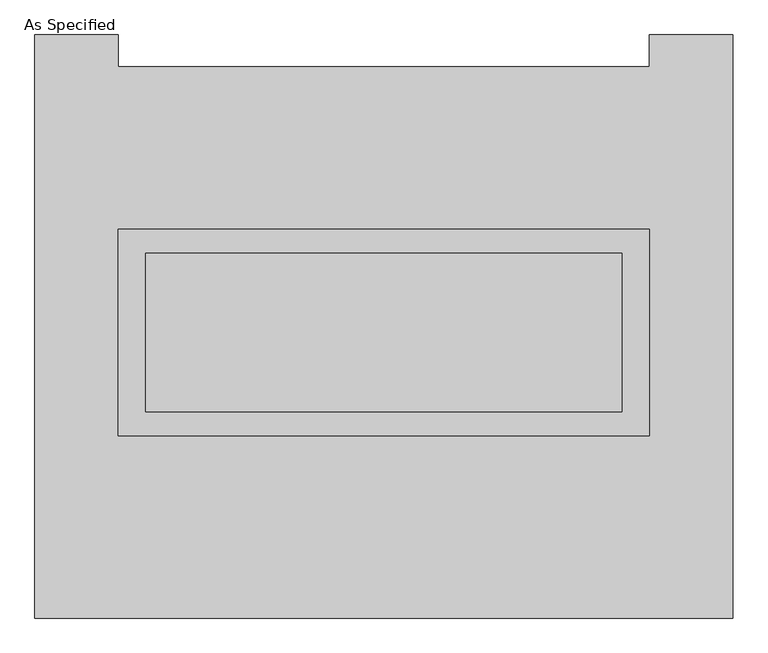
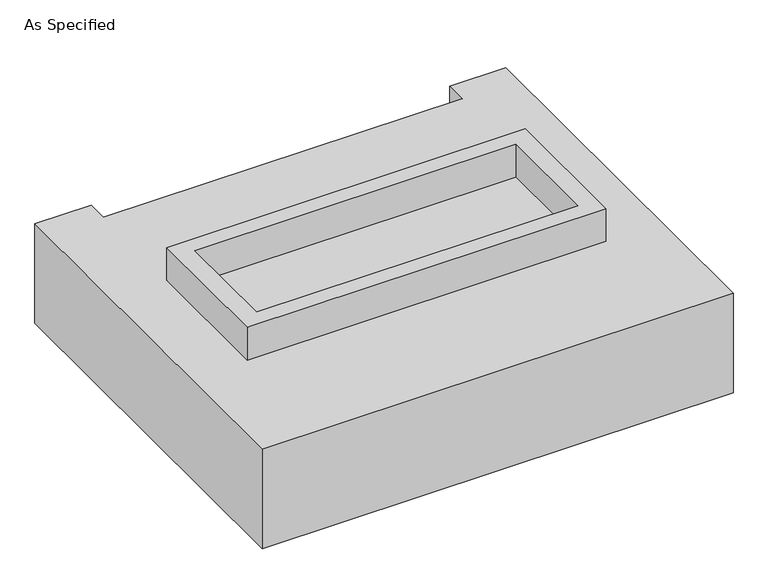
"""IFC4 building model written with IfcOpenShell, lengths in millimetres: proxy geometry, As Specified."""

from ifc_helpers import new_model, si_unit, frame, origin, place, context, project, spatial, polyline, outline, extrude, faceted_brep, source, transform, mapped, element, save


def as_specified_a354c85e(model_context):
    return source(origin(), model_context, "Body", "SolidModel", [
        extrude(outline(polyline([(850.9, 361.95), (850.9, -298.45), (-850.9, -298.45), (-850.9, 361.95), (850.9, 361.95)]), holes=[polyline([(762.0, 285.75), (-762.0, 285.75), (-762.0, -222.25), (762.0, -222.25), (762.0, 285.75)])]), frame((0.0, 0.0, -25.4), z_axis=(0.0, 0.0, 1.0), x_axis=(1.0, 0.0, 0.0)), (0.0, 0.0, 1.0), 165.1),
        extrude(outline(polyline([(762.0, 285.75), (762.0, -222.25), (-762.0, -222.25), (-762.0, 285.75), (762.0, 285.75)])), frame((0.0, 0.0, -30.3609375), z_axis=(0.0, 0.0, 1.0), x_axis=(1.0, 0.0, 0.0)), (0.0, 0.0, 1.0), 4.9609375),
        faceted_brep([(1117.6, -882.65, -523.875), (-1117.6, -882.65, -523.875), (-1117.6, 984.25, -523.875), (-850.9, 984.25, -523.875), (-850.9, 882.65, -523.875), (850.9, 882.65, -523.875), (850.9, 984.25, -523.875), (1117.6, 984.25, -523.875), (-1117.6, -882.65, -25.4), (1117.6, -882.65, -25.4), (1117.6, 984.25, -25.4), (850.9, 984.25, -25.4), (850.9, 882.65, -25.4), (-850.9, 882.65, -25.4), (-850.9, 984.25, -25.4), (-1117.6, 984.25, -25.4), (-850.9, -298.45, -25.4), (-850.9, 361.95, -25.4), (850.9, 361.95, -25.4), (850.9, -298.45, -25.4), (850.9, 361.95, -498.475), (-850.9, 361.95, -498.475), (-850.9, -298.45, -498.475), (850.9, -298.45, -498.475)], [[[0, 1, 2, 3, 4, 5, 6, 7]], [[8, 9, 10, 11, 12, 13, 14, 15], [16, 17, 18, 19]], [[4, 13, 12, 5]], [[1, 8, 15, 2]], [[10, 9, 0, 7]], [[20, 21, 22, 23]], [[22, 21, 17, 16]], [[21, 20, 18, 17]], [[20, 23, 19, 18]], [[16, 19, 23, 22]], [[1, 0, 9, 8]], [[4, 3, 14, 13]], [[3, 2, 15, 14]], [[6, 5, 12, 11]], [[7, 6, 11, 10]]]),
    ])


if __name__ == "__main__":
    model = new_model("IFC4")
    model_context = context("Model", 3, world=origin())
    ifc_project = project(units=[si_unit("LENGTHUNIT", "METRE", prefix="MILLI")], contexts=[model_context])
    site = spatial("IfcSite", under=ifc_project)
    building = spatial("IfcBuilding", under=site)
    placement = place(None, origin())
    as_specified_shape = as_specified_a354c85e(model_context)
    element("IfcBuildingElementProxy", 1, Name="As Specified", ObjectType="As Specified", at=placement, inside=building, context=model_context, shape_type="MappedRepresentation", body=[
        mapped(as_specified_shape, transform((0.0, 0.0, 0.0), x_axis=(1.0, 0.0, 0.0), y_axis=(0.0, 1.0, 0.0), z_axis=(0.0, 0.0, 1.0))),
    ])
    save(model, "model.ifc")
